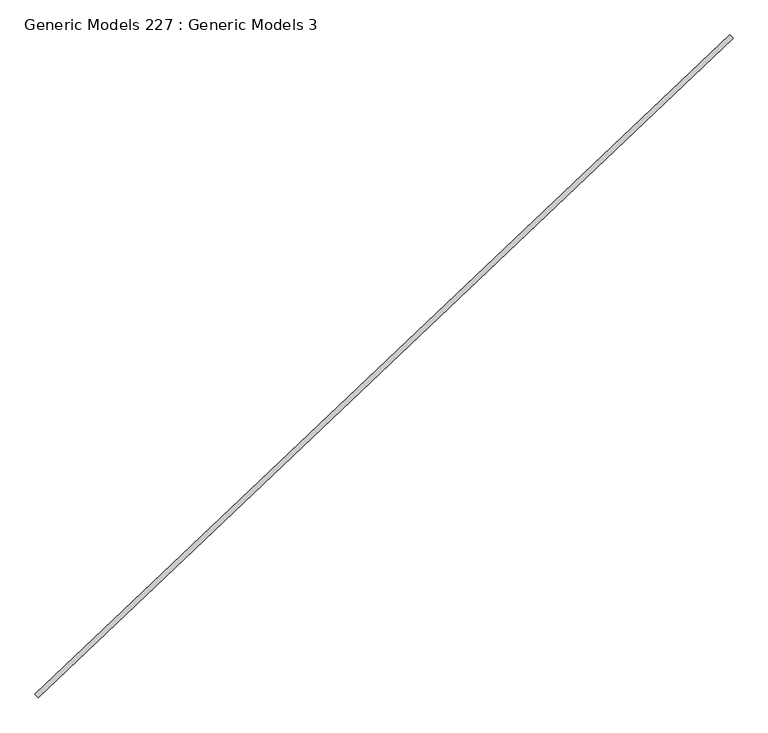
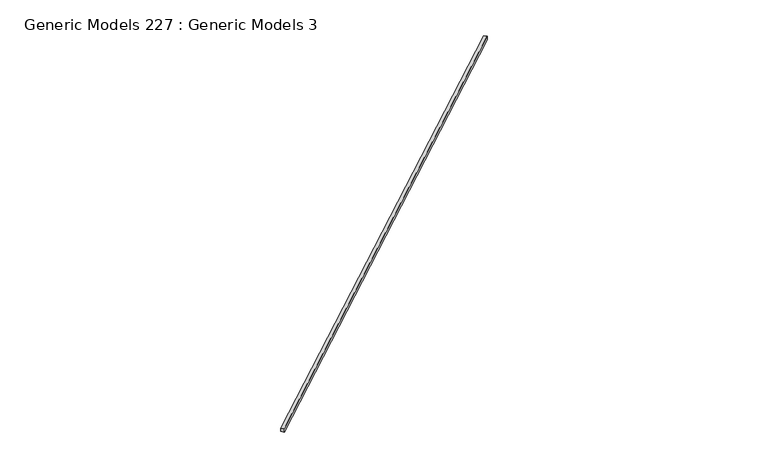
"""IFC4 building model written with IfcOpenShell, lengths in millimetres: proxy geometry, Generic Models 227 : Generic Models 3."""

import ifcopenshell
import ifcopenshell.guid

model = None  # the IFC model being written
_history = None  # IfcOwnerHistory: only IFC2X3 demands one
_inside = {}  # id of a spatial element -> (the spatial element, [elements in it])
_under = {}  # id of a project, library or spatial element -> (it, [spatial elements below it])
_declared = {}  # id of a project -> (the project, [libraries it declares])
_typed = {}  # id of a type object -> (the type object, [elements of that type])
_made_of = {}  # id of a material, layer set ... -> (it, [elements and type objects made of it])


def new_model(schema):
    """Start an empty IFC model of exactly this schema.

    Asked for "IFC4X3", IfcOpenShell would pick the latest addendum, in which some entities
    have other attributes; the version numbers below select the first issue.
    IFC2X3 requires an IfcOwnerHistory on every rooted entity: one is made here for all.
    """
    global model, _history
    if schema == "IFC4X3":
        model = ifcopenshell.file(schema_version=(4, 3, 0, 0))
    else:
        model = ifcopenshell.file(schema=schema)
    _inside.clear()
    _under.clear()
    _declared.clear()
    _typed.clear()
    _made_of.clear()
    _history = None
    if model.schema == "IFC2X3":
        org = make("IfcOrganization", Name="unknown")
        user = make(
            "IfcPersonAndOrganization",
            ThePerson=make("IfcPerson", FamilyName="unknown"),
            TheOrganization=org,
        )
        app = make(
            "IfcApplication",
            ApplicationDeveloper=org,
            Version="unknown",
            ApplicationFullName="unknown",
            ApplicationIdentifier="unknown",
        )
        _history = make(
            "IfcOwnerHistory",
            OwningUser=user,
            OwningApplication=app,
            ChangeAction="ADDED",
            CreationDate=0,
        )
    return model


def make(cls, **values):
    """One entity of the class cls with the attributes given. An attribute that is None is left unset."""
    return model.create_entity(
        cls, **{name: value for name, value in values.items() if value is not None}
    )


def rooted(cls, **values):
    """An entity with a GlobalId (a new one), such as an element, a storey or a relation."""
    return make(cls, GlobalId=ifcopenshell.guid.new(), OwnerHistory=_history, **values)


def si_unit(unit_type, name, prefix=None):
    """IfcSIUnit, for example si_unit("LENGTHUNIT", "METRE", prefix="MILLI")."""
    return make("IfcSIUnit", UnitType=unit_type, Prefix=prefix, Name=name)


def assignment(units):
    """IfcUnitAssignment: the units of a project."""
    return None if units is None else make("IfcUnitAssignment", Units=units)


def point(xyz):
    """IfcCartesianPoint."""
    return None if xyz is None else make("IfcCartesianPoint", Coordinates=xyz)


def direction(xyz):
    """IfcDirection."""
    return None if xyz is None else make("IfcDirection", DirectionRatios=xyz)


def frame(location, z_axis=None, x_axis=None):
    """IfcAxis2Placement3D, a coordinate frame: its origin and axes. An axis left out is left unset."""
    return make(
        "IfcAxis2Placement3D",
        Location=point(location),
        Axis=direction(z_axis),
        RefDirection=direction(x_axis),
    )


def origin():
    """The frame at (0, 0, 0) with its axes left unset."""
    return frame((0.0, 0.0, 0.0))


def place(relative_to, where):
    """IfcLocalPlacement: puts the frame where relative to a parent placement (None: the world)."""
    return make(
        "IfcLocalPlacement", PlacementRelTo=relative_to, RelativePlacement=where
    )


def context(
    kind, dimensions, precision=None, world=None, true_north=None, identifier=None
):
    """IfcGeometricRepresentationContext, for example the 3D "Model" context."""
    return make(
        "IfcGeometricRepresentationContext",
        ContextIdentifier=identifier,
        ContextType=kind,
        CoordinateSpaceDimension=dimensions,
        Precision=precision,
        WorldCoordinateSystem=world,
        TrueNorth=true_north,
    )


def project(units=None, contexts=None):
    """IfcProject with its units and contexts."""
    return rooted(
        "IfcProject",
        Name="project",
        RepresentationContexts=contexts,
        UnitsInContext=assignment(units),
    )


def spatial(cls, under=None, at=None, **own):
    """A site, building, storey or space (cls), placed at a placement, below another one or the project."""
    s = rooted(cls, ObjectPlacement=at, **own)
    if under is not None:
        _under.setdefault(under.id(), (under, []))[1].append(s)
    return s


def polyline(points):
    """IfcPolyline through the points."""
    return make("IfcPolyline", Points=[point(p) for p in points])


def outline(outer, holes=None, kind="AREA"):
    """IfcArbitraryClosedProfileDef: a profile drawn as a closed curve; with holes, ...WithVoids."""
    if holes is None:
        return make("IfcArbitraryClosedProfileDef", ProfileType=kind, OuterCurve=outer)
    return make(
        "IfcArbitraryProfileDefWithVoids",
        ProfileType=kind,
        OuterCurve=outer,
        InnerCurves=holes,
    )


def extrude(swept, where, along, depth):
    """IfcExtrudedAreaSolid: the profile swept, set in the frame where, extruded along a direction by depth."""
    return make(
        "IfcExtrudedAreaSolid",
        SweptArea=swept,
        Position=where,
        ExtrudedDirection=direction(along),
        Depth=depth,
    )


def shape(context_of_items, identifier, shape_type, items):
    """IfcShapeRepresentation: the items that make up one representation, for example the "Body"."""
    return make(
        "IfcShapeRepresentation",
        ContextOfItems=context_of_items,
        RepresentationIdentifier=identifier,
        RepresentationType=shape_type,
        Items=items,
    )


def source(mapping_origin, context_of_items, identifier, shape_type, items):
    """IfcRepresentationMap: a shape defined once, which mapped items show again and again."""
    return make(
        "IfcRepresentationMap",
        MappingOrigin=mapping_origin,
        MappedRepresentation=shape(context_of_items, identifier, shape_type, items),
    )


def transform(
    local_origin,
    x_axis=None,
    y_axis=None,
    z_axis=None,
    scale=None,
    scale2=None,
    scale3=None,
    uniform=True,
):
    """IfcCartesianTransformationOperator3D, or its non-uniform kind. x_axis, y_axis, z_axis: its Axis1, 2, 3."""
    if uniform:
        return make(
            "IfcCartesianTransformationOperator3D",
            Axis1=direction(x_axis),
            Axis2=direction(y_axis),
            LocalOrigin=point(local_origin),
            Scale=scale,
            Axis3=direction(z_axis),
        )
    return make(
        "IfcCartesianTransformationOperator3DnonUniform",
        Axis1=direction(x_axis),
        Axis2=direction(y_axis),
        LocalOrigin=point(local_origin),
        Scale=scale,
        Axis3=direction(z_axis),
        Scale2=scale2,
        Scale3=scale3,
    )


def mapped(mapping_source, mapping_target):
    """IfcMappedItem: shows the shape of a source again, moved by a transform."""
    return make(
        "IfcMappedItem", MappingSource=mapping_source, MappingTarget=mapping_target
    )


def made_of(thing, what):
    """Note that an element or type object is made of a material, layer set ...; save() writes the relation."""
    if what is not None:
        _made_of.setdefault(what.id(), (what, []))[1].append(thing)
    return thing


def element(
    cls,
    number,
    at=None,
    inside=None,
    cuts=None,
    type_object=None,
    material=None,
    context=None,
    identifier="Body",
    shape_type=None,
    held_by="IfcProductDefinitionShape",
    body=None,
    shapes=None,
    **own,
):
    """One element of the class cls, such as IfcWall. Its Tag is "e" and its number.

    at: its placement. inside: the storey or other place that contains it. cuts: it is an
    opening in that element (IfcRelVoidsElement). A single representation is given by context,
    identifier, shape_type and body (its items); several are given by shapes. held_by: the class
    of the entity that holds the representations. save() writes the other relations.
    """
    e = rooted(cls, Tag="e%d" % number, ObjectPlacement=at, **own)
    if body is not None:
        shapes = [shape(context, identifier, shape_type, body)]
    if shapes is not None:
        e.Representation = make(held_by, Representations=shapes)
    if inside is not None:
        _inside.setdefault(inside.id(), (inside, []))[1].append(e)
    if cuts is not None:
        rooted(
            "IfcRelVoidsElement", RelatingBuildingElement=cuts, RelatedOpeningElement=e
        )
    if type_object is not None:
        _typed.setdefault(type_object.id(), (type_object, []))[1].append(e)
    return made_of(e, material)


def aggregate(whole, parts):
    """IfcRelAggregates: a whole, such as a stair, and the parts it consists of."""
    return rooted("IfcRelAggregates", RelatingObject=whole, RelatedObjects=parts)


def save(model, path):
    """Write the relations noted so far, then the file.

    IfcRelAggregates (storeys below a building ...), IfcRelContainedInSpatialStructure (elements
    in a storey), IfcRelDefinesByType, IfcRelAssociatesMaterial and IfcRelDeclares: one each for
    every whole, place, type object, material and project.
    """
    for whole, parts in _under.values():
        aggregate(whole, parts)
    for where, things in _inside.values():
        rooted(
            "IfcRelContainedInSpatialStructure",
            RelatedElements=things,
            RelatingStructure=where,
        )
    for kind, things in _typed.values():
        rooted("IfcRelDefinesByType", RelatedObjects=things, RelatingType=kind)
    for what, things in _made_of.values():
        rooted("IfcRelAssociatesMaterial", RelatedObjects=things, RelatingMaterial=what)
    for by, libraries in _declared.values():
        rooted("IfcRelDeclares", RelatingContext=by, RelatedDefinitions=libraries)
    model.write(path)


def generic_models_227_generic_models_3_06a407f6(model_context):
    return source(origin(), model_context, "Body", "SweptSolid", [
        extrude(outline(polyline([(116196.6434178, 52813.6349601), (116257.8381396, 52749.1491785), (103519.5932133, 40661.0061013), (103458.3984915, 40725.4918829), (116196.6434178, 52813.6349601)])), frame((0.0, 0.0, 17856.2), z_axis=(0.0, 0.0, 1.0), x_axis=(1.0, 0.0, 0.0)), (0.0, 0.0, 1.0), 101.6),
    ])


if __name__ == "__main__":
    model = new_model("IFC4")
    model_context = context("Model", 3, world=origin())
    ifc_project = project(units=[si_unit("LENGTHUNIT", "METRE", prefix="MILLI")], contexts=[model_context])
    site = spatial("IfcSite", under=ifc_project)
    building = spatial("IfcBuilding", under=site)
    placement = place(None, origin())
    generic_models_227_generic_models_3_shape = generic_models_227_generic_models_3_06a407f6(model_context)
    element("IfcBuildingElementProxy", 1, Name="Generic Models 227 : Generic Models 3", ObjectType="Generic Models 227 : Generic Models 3", at=placement, inside=building, context=model_context, shape_type="MappedRepresentation", body=[
        mapped(generic_models_227_generic_models_3_shape, transform((0.0, 0.0, 0.0), x_axis=(1.0, 0.0, 0.0), y_axis=(0.0, 1.0, 0.0), z_axis=(0.0, 0.0, 1.0))),
    ])
    save(model, "model.ifc")
